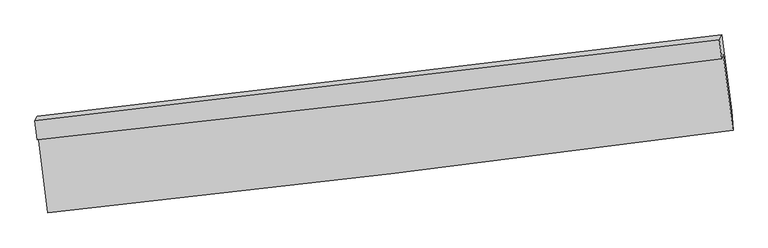
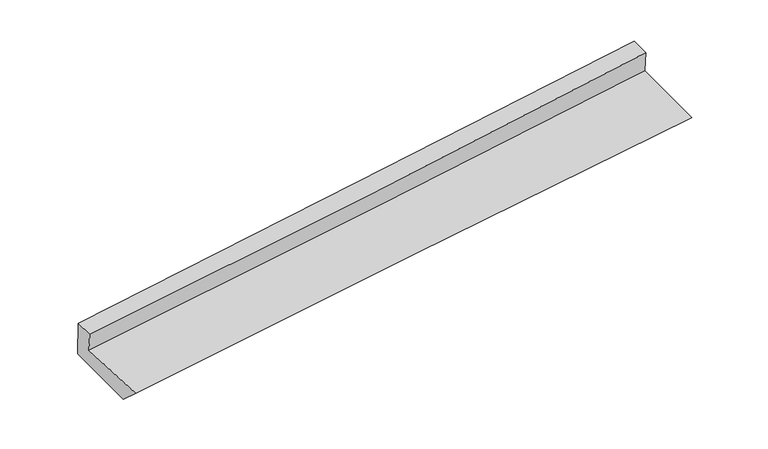
"""IFC4 building model written with IfcOpenShell, lengths in millimetres: proxy geometry."""

from ifc_helpers import new_model, si_unit, frame, origin, place, context, project, spatial, source, transform, mapped, element, save
from ifc_brep_helpers import plane_surface, spline_curve, spline_surface, advanced_brep


def generic_models_5b607eb6(model_context):
    return source(origin(), model_context, "Body", "AdvancedBrep", [
        advanced_brep(
        [(-2999.7021652, -1855.6615628, 1754.5440372), (-2917.3974555, -2520.8718173, 1672.7947586), (3035.7763562, -1805.9761942, 2065.9351771), (2949.2307462, -1147.8133667, 2190.3059139), (-3009.5347833, -1887.5481751, 1943.2788228), (2937.9122228, -1184.5270147, 2407.6136369), (-3030.1759752, -1724.0454061, 1969.1249605), (2916.3326646, -1017.5804234, 2433.9776844), (-3009.4343833, -1684.811469, 1616.0435859), (2937.7263146, -977.2131753, 2070.7603258), (-2926.925153, -2327.0897368, 1494.5790443), (3024.6362096, -1638.1463207, 1945.8660917)],
        [
            (0, 1),
            (1, 2, spline_curve(3, [(-2917.3974555, -2520.8718173, 1672.7947586), (-1925.031457685, -2414.507402906, 1756.417022774), (-932.790112883, -2301.755809983, 1830.987969512), (1051.601197713, -2063.4593026, 1962.037657162), (2043.751123187, -1937.912354316, 2018.513516884), (3035.7763562, -1805.9761942, 2065.9351771)], [4, 2, 4], [0.0, 9.8547786298216, 19.711125952194486])),
            (2, 3),
            (3, 0, spline_curve(3, [(2949.2307462, -1147.8133667, 2190.3059139), (1959.049501725, -1279.509712358, 2121.130724133), (968.174961745, -1404.34938354, 2050.226612103), (-1014.802896203, -1640.296600009, 1904.972102849), (-2006.905993158, -1751.406327257, 1830.622256126), (-2999.7021652, -1855.6615628, 1754.5440372)], [4, 2, 4], [0.0, 9.856347322372885, 19.711125952194486])),
            (4, 0),
            (3, 5),
            (5, 4, spline_curve(3, [(2937.9122228, -1184.5270147, 2407.6136369), (1948.327069878, -1314.288657561, 2326.986670515), (957.874396846, -1437.758737097, 2247.975668486), (-1024.608214518, -1672.09712169, 2093.197911565), (-2016.637876884, -1782.967428557, 2017.430642045), (-3009.5347833, -1887.5481751, 1943.2788228)], [4, 2, 4], [0.0, 9.854604791796282, 19.707641168374725])),
            (6, 4),
            (5, 7),
            (7, 6, spline_curve(3, [(2916.3326646, -1017.5804234, 2433.9776844), (1925.49823122, -1136.948765914, 2354.996969329), (934.499177668, -1255.509640229, 2276.7658617), (-1047.67042145, -1490.997710861, 2121.815192113), (-2038.840914081, -1607.925164131, 2045.095392058), (-3030.1759752, -1724.0454061, 1969.1249605)], [4, 2, 4], [0.0, 9.854174723278378, 19.706781099786713])),
            (8, 6),
            (7, 9),
            (9, 8, spline_curve(3, [(2937.7263146, -977.2131753, 2070.7603258), (1946.781448359, -1096.774414721, 1993.505345528), (955.672835911, -1215.526187292, 1916.981835971), (-1026.714115596, -1451.392027733, 1765.409822354), (-2017.992402372, -1568.506352848, 1690.36108492), (-3009.4343833, -1684.811469, 1616.0435859)], [4, 2, 4], [0.0, 9.853713601424637, 19.705858929469343])),
            (10, 8),
            (9, 11),
            (11, 10, spline_curve(3, [(3024.6362096, -1638.1463207, 1945.8660917), (2032.95149729, -1754.44656192, 1869.212101201), (1041.106210578, -1870.013144566, 1793.274916221), (-942.747628322, -2099.660716535, 1642.846128321), (-1934.75612909, -2213.741939315, 1568.354297817), (-2926.925153, -2327.0897368, 1494.5790443)], [4, 2, 4], [0.0, 9.855290531669077, 19.709012538980993])),
            (1, 10),
            (11, 2),
        ],
        [
            spline_surface(3, 3, [[(-2999.7021652, -1855.6615628, 1754.5440372), (-2006.905993158, -1751.406327337, 1830.622256115), (-1014.802896132, -1640.296599934, 1904.972102889), (968.174961674, -1404.349383615, 2050.226612062), (1959.049501768, -1279.509712321, 2121.130724225), (2949.2307462, -1147.8133667, 2190.3059139)], [(-2972.267261963, -2077.398314315, 1727.294277673), (-1979.614481336, -1972.440019207, 1805.8871783), (-987.465301685, -1860.783003304, 1880.310725037), (995.983706945, -1624.052689949, 2020.830293811), (1987.283375566, -1498.977259716, 2086.924988434), (2978.079282889, -1367.200975896, 2148.849001643)], [(-2944.832358737, -2299.135065785, 1700.044518127), (-1952.322969525, -2193.473711032, 1781.152100466), (-960.127707172, -2081.269406634, 1855.649347202), (1023.792452283, -1843.755996245, 1991.433975576), (2015.517249295, -1718.444807023, 2052.719252614), (3006.927819511, -1586.588585004, 2107.392089357)], [(-2917.3974555, -2520.8718173, 1672.7947586), (-1925.031457703, -2414.507402902, 1756.417022651), (-932.790112725, -2301.755810004, 1830.98796935), (1051.601197555, -2063.459302579, 1962.037657324), (2043.751123093, -1937.912354418, 2018.513516823), (3035.7763562, -1805.9761942, 2065.9351771)]], [4, 4], [4, 2, 4], [0.0, 2.199369958231866], [0.0, 9.8547786298216, 19.711125952194486]),
            spline_surface(3, 3, [[(-3009.5347833, -1887.5481751, 1943.2788228), (-2016.637877021, -1782.967428497, 2017.430642049), (-1024.608214576, -1672.097121541, 2093.197911512), (957.874396904, -1437.758737245, 2247.975668539), (1948.327069837, -1314.288657423, 2326.986670446), (2937.9122228, -1184.5270147, 2407.6136369)], [(-3006.257243939, -1876.919304309, 1880.367227603), (-2013.393915739, -1772.447061419, 1955.161180075), (-1021.339775091, -1661.496947655, 2030.455975319), (961.307918498, -1426.622286018, 2182.059316394), (1951.90121382, -1302.695675708, 2258.368021692), (2941.68506394, -1172.289132019, 2335.17772922)], [(-3002.979704561, -1866.290433591, 1817.455632397), (-2010.14995444, -1761.926694414, 1892.89171809), (-1018.071335617, -1650.89677382, 1967.714039083), (964.74144008, -1415.485834842, 2116.142964207), (1955.475357785, -1291.102694036, 2189.749372979), (2945.45790506, -1160.051249381, 2262.74182158)], [(-2999.7021652, -1855.6615628, 1754.5440372), (-2006.905993158, -1751.406327337, 1830.622256115), (-1014.802896132, -1640.296599934, 1904.972102889), (968.174961674, -1404.349383615, 2050.226612062), (1959.049501768, -1279.509712321, 2121.130724225), (2949.2307462, -1147.8133667, 2190.3059139)]], [4, 4], [4, 2, 4], [0.0, 0.642982635332471], [0.0, 9.853036376578443, 19.707641168374725]),
            spline_surface(3, 3, [[(-3030.1759752, -1724.0454061, 1969.1249605), (-2038.840914239, -1607.925164157, 2045.095392028), (-1047.670421396, -1490.997710823, 2121.815192222), (934.499177613, -1255.509640267, 2276.76586159), (1925.498231345, -1136.948766025, 2354.996969381), (2916.3326646, -1017.5804234, 2433.9776844)], [(-3023.295577896, -1778.546329117, 1960.509581266), (-2031.439901828, -1666.272585621, 2035.873808701), (-1039.983019136, -1551.364181074, 2112.276098634), (942.290917364, -1316.259339271, 2267.169130555), (1933.107844162, -1196.062063159, 2345.660203076), (2923.525850653, -1073.229287168, 2425.189668574)], [(-3016.415180604, -1833.047252083, 1951.894202034), (-2024.038889431, -1724.620007033, 2026.652225376), (-1032.295616837, -1611.73065129, 2102.7370051), (950.082657153, -1377.009038241, 2257.572399574), (1940.71745702, -1255.175360289, 2336.32343675), (2930.719036747, -1128.878150932, 2416.401652726)], [(-3009.5347833, -1887.5481751, 1943.2788228), (-2016.637877021, -1782.967428497, 2017.430642049), (-1024.608214576, -1672.097121541, 2093.197911512), (957.874396904, -1437.758737245, 2247.975668539), (1948.327069837, -1314.288657423, 2326.986670446), (2937.9122228, -1184.5270147, 2407.6136369)]], [4, 4], [4, 2, 4], [0.0, 0.6082272163222313], [0.0, 9.852606376508335, 19.706781099786713]),
            spline_surface(3, 3, [[(-3009.4343833, -1684.811469, 1616.0435859), (-2017.992402335, -1568.506352992, 1690.36108494), (-1026.71411554, -1451.392027643, 1765.409822258), (955.672835855, -1215.526187383, 1916.981836067), (1946.781448405, -1096.774414836, 1993.505345398), (2937.7263146, -977.2131753, 2070.7603258)], [(-3016.348247295, -1697.889448041, 1733.737377436), (-2024.941906331, -1581.645956721, 1808.605853972), (-1033.699550794, -1464.593922019, 1884.211612261), (948.614949806, -1228.854004993, 2036.90984459), (1939.687042725, -1110.165865246, 2114.002553394), (2930.59509794, -990.668924681, 2191.832778669)], [(-3023.262111205, -1710.967427059, 1851.431168964), (-2031.891410243, -1594.785560428, 1926.850622996), (-1040.684986142, -1477.795816447, 2003.013402219), (941.557063662, -1242.181822656, 2156.837853067), (1932.592637025, -1123.557315615, 2234.499761385), (2923.46388126, -1004.124674019, 2312.905231531)], [(-3030.1759752, -1724.0454061, 1969.1249605), (-2038.840914239, -1607.925164157, 2045.095392028), (-1047.670421396, -1490.997710823, 2121.815192222), (934.499177613, -1255.509640267, 2276.76586159), (1925.498231345, -1136.948766025, 2354.996969381), (2916.3326646, -1017.5804234, 2433.9776844)]], [4, 4], [4, 2, 4], [0.0, 1.1841030224316074], [0.0, 9.852145328044706, 19.705858929469343]),
            spline_surface(3, 3, [[(-2926.925153, -2327.0897368, 1494.5790443), (-1934.756129018, -2213.741939194, 1568.354297736), (-942.747628201, -2099.660716484, 1642.84612845), (1041.106210456, -1870.013144617, 1793.274916092), (2032.951497141, -1754.446561988, 1869.212101196), (3024.6362096, -1638.1463207, 1945.8660917)], [(-2954.428229751, -2112.996980856, 1535.067224824), (-1962.501553442, -1998.66341045, 1609.023226795), (-970.736457337, -1883.571153546, 1683.700693042), (1012.6284189, -1651.850825548, 1834.510556072), (2004.22814754, -1535.222512939, 1910.643182589), (2995.666244578, -1417.835272235, 1987.497503059)], [(-2981.931306549, -1898.904224944, 1575.555405376), (-1990.246977912, -1783.584881737, 1649.692155881), (-998.725286404, -1667.481590581, 1724.555257667), (984.150627412, -1433.688506451, 1875.746196086), (1975.504798006, -1315.998463885, 1952.074264005), (2966.696279622, -1197.524223765, 2029.128914441)], [(-3009.4343833, -1684.811469, 1616.0435859), (-2017.992402335, -1568.506352992, 1690.36108494), (-1026.71411554, -1451.392027643, 1765.409822258), (955.672835855, -1215.526187383, 1916.981836067), (1946.781448405, -1096.774414836, 1993.505345398), (2937.7263146, -977.2131753, 2070.7603258)]], [4, 4], [4, 2, 4], [0.0, 2.192598181927266], [0.0, 9.853722007311916, 19.709012538980993]),
            spline_surface(3, 3, [[(-2917.3974555, -2520.8718173, 1672.7947586), (-1925.031457703, -2414.507402902, 1756.417022651), (-932.790112725, -2301.755810004, 1830.98796935), (1051.601197555, -2063.459302579, 1962.037657324), (2043.751123093, -1937.912354418, 2018.513516823), (3035.7763562, -1805.9761942, 2065.9351771)], [(-2920.573354657, -2456.277790461, 1613.389520496), (-1928.273014798, -2347.585581661, 1693.729447676), (-936.109284527, -2234.390778831, 1768.274022388), (1048.102868545, -1998.977249925, 1905.783410252), (2040.151247776, -1876.757090243, 1968.746378283), (3032.062974, -1750.032903001, 2025.912148636)], [(-2923.749253843, -2391.683763639, 1553.984282404), (-1931.514571923, -2280.663760436, 1631.041872711), (-939.428456399, -2167.025747657, 1705.560075411), (1044.604539466, -1934.49519727, 1849.529163164), (2036.551372459, -1815.601826163, 1918.979239736), (3028.3495918, -1694.089611899, 1985.889120164)], [(-2926.925153, -2327.0897368, 1494.5790443), (-1934.756129018, -2213.741939194, 1568.354297736), (-942.747628201, -2099.660716484, 1642.84612845), (1041.106210456, -1870.013144617, 1793.274916092), (2032.951497141, -1754.446561988, 1869.212101196), (3024.6362096, -1638.1463207, 1945.8660917)]], [4, 4], [4, 2, 4], [0.0, 0.8745896749782195], [0.0, 9.855766460209418, 19.713101770213854]),
            plane_surface(frame((2966.9357523, -1295.2094158, 2185.7431383), z_axis=(0.990593249934352, 0.11678073574461492, 0.07132512140504739), x_axis=(-0.05843993387292441, -0.11026913660364857, 0.9921821867185553))),
            plane_surface(frame((-2982.1949859, -2000.0046945, 1741.7275349), z_axis=(-0.9909613128688146, -0.11389965536173216, -0.07086991537877062), x_axis=(-0.12188787594039517, 0.9851327495649735, 0.12106531887082318))),
        ],
        [
            (0, [[1, 2, 3, 4]]),
            (1, [[5, -4, 6, 7]]),
            (2, [[8, -7, 9, 10]]),
            (3, [[11, -10, 12, 13]]),
            (4, [[14, -13, 15, 16]]),
            (5, [[17, -16, 18, -2]]),
            (6, [[-12, -9, -6, -3, -18, -15]]),
            (7, [[-1, -5, -8, -11, -14, -17]]),
        ],
    ),
    ])


if __name__ == "__main__":
    model = new_model("IFC4")
    model_context = context("Model", 3, world=origin())
    ifc_project = project(units=[si_unit("LENGTHUNIT", "METRE", prefix="MILLI")], contexts=[model_context])
    site = spatial("IfcSite", under=ifc_project)
    building = spatial("IfcBuilding", under=site)
    placement = place(None, origin())
    generic_models_shape = generic_models_5b607eb6(model_context)
    element("IfcBuildingElementProxy", 1, Name="Generic Models", at=placement, inside=building, context=model_context, shape_type="MappedRepresentation", body=[
        mapped(generic_models_shape, transform((0.0, 0.0, 0.0), x_axis=(1.0, 0.0, 0.0), y_axis=(0.0, 1.0, 0.0), z_axis=(0.0, 0.0, 1.0))),
    ])
    save(model, "model.ifc")
